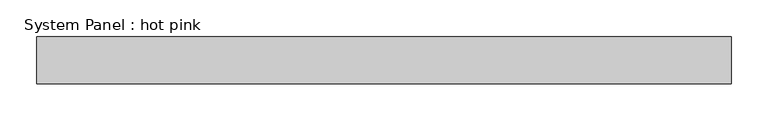
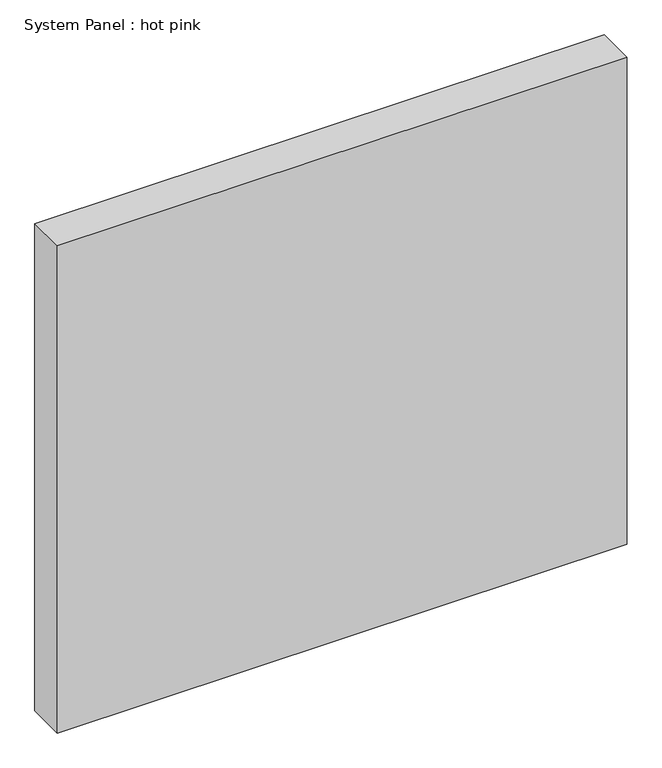
"""IFC4 building model written with IfcOpenShell, lengths in millimetres: plate geometry, System Panel : hot pink."""

import ifcopenshell
import ifcopenshell.guid

model = None  # the IFC model being written
_history = None  # IfcOwnerHistory: only IFC2X3 demands one
_inside = {}  # id of a spatial element -> (the spatial element, [elements in it])
_under = {}  # id of a project, library or spatial element -> (it, [spatial elements below it])
_declared = {}  # id of a project -> (the project, [libraries it declares])
_typed = {}  # id of a type object -> (the type object, [elements of that type])
_made_of = {}  # id of a material, layer set ... -> (it, [elements and type objects made of it])


def new_model(schema):
    """Start an empty IFC model of exactly this schema.

    Asked for "IFC4X3", IfcOpenShell would pick the latest addendum, in which some entities
    have other attributes; the version numbers below select the first issue.
    IFC2X3 requires an IfcOwnerHistory on every rooted entity: one is made here for all.
    """
    global model, _history
    if schema == "IFC4X3":
        model = ifcopenshell.file(schema_version=(4, 3, 0, 0))
    else:
        model = ifcopenshell.file(schema=schema)
    _inside.clear()
    _under.clear()
    _declared.clear()
    _typed.clear()
    _made_of.clear()
    _history = None
    if model.schema == "IFC2X3":
        org = make("IfcOrganization", Name="unknown")
        user = make(
            "IfcPersonAndOrganization",
            ThePerson=make("IfcPerson", FamilyName="unknown"),
            TheOrganization=org,
        )
        app = make(
            "IfcApplication",
            ApplicationDeveloper=org,
            Version="unknown",
            ApplicationFullName="unknown",
            ApplicationIdentifier="unknown",
        )
        _history = make(
            "IfcOwnerHistory",
            OwningUser=user,
            OwningApplication=app,
            ChangeAction="ADDED",
            CreationDate=0,
        )
    return model


def make(cls, **values):
    """One entity of the class cls with the attributes given. An attribute that is None is left unset."""
    return model.create_entity(
        cls, **{name: value for name, value in values.items() if value is not None}
    )


def rooted(cls, **values):
    """An entity with a GlobalId (a new one), such as an element, a storey or a relation."""
    return make(cls, GlobalId=ifcopenshell.guid.new(), OwnerHistory=_history, **values)


def si_unit(unit_type, name, prefix=None):
    """IfcSIUnit, for example si_unit("LENGTHUNIT", "METRE", prefix="MILLI")."""
    return make("IfcSIUnit", UnitType=unit_type, Prefix=prefix, Name=name)


def assignment(units):
    """IfcUnitAssignment: the units of a project."""
    return None if units is None else make("IfcUnitAssignment", Units=units)


def point(xyz):
    """IfcCartesianPoint."""
    return None if xyz is None else make("IfcCartesianPoint", Coordinates=xyz)


def direction(xyz):
    """IfcDirection."""
    return None if xyz is None else make("IfcDirection", DirectionRatios=xyz)


def frame(location, z_axis=None, x_axis=None):
    """IfcAxis2Placement3D, a coordinate frame: its origin and axes. An axis left out is left unset."""
    return make(
        "IfcAxis2Placement3D",
        Location=point(location),
        Axis=direction(z_axis),
        RefDirection=direction(x_axis),
    )


def origin():
    """The frame at (0, 0, 0) with its axes left unset."""
    return frame((0.0, 0.0, 0.0))


def origin_with_axes():
    """The frame at (0, 0, 0) with the z axis (0, 0, 1) and the x axis (1, 0, 0) written out."""
    return frame((0.0, 0.0, 0.0), z_axis=(0.0, 0.0, 1.0), x_axis=(1.0, 0.0, 0.0))


def place(relative_to, where):
    """IfcLocalPlacement: puts the frame where relative to a parent placement (None: the world)."""
    return make(
        "IfcLocalPlacement", PlacementRelTo=relative_to, RelativePlacement=where
    )


def context(
    kind, dimensions, precision=None, world=None, true_north=None, identifier=None
):
    """IfcGeometricRepresentationContext, for example the 3D "Model" context."""
    return make(
        "IfcGeometricRepresentationContext",
        ContextIdentifier=identifier,
        ContextType=kind,
        CoordinateSpaceDimension=dimensions,
        Precision=precision,
        WorldCoordinateSystem=world,
        TrueNorth=true_north,
    )


def project(units=None, contexts=None):
    """IfcProject with its units and contexts."""
    return rooted(
        "IfcProject",
        Name="project",
        RepresentationContexts=contexts,
        UnitsInContext=assignment(units),
    )


def spatial(cls, under=None, at=None, **own):
    """A site, building, storey or space (cls), placed at a placement, below another one or the project."""
    s = rooted(cls, ObjectPlacement=at, **own)
    if under is not None:
        _under.setdefault(under.id(), (under, []))[1].append(s)
    return s


def polyline(points):
    """IfcPolyline through the points."""
    return make("IfcPolyline", Points=[point(p) for p in points])


def outline(outer, holes=None, kind="AREA"):
    """IfcArbitraryClosedProfileDef: a profile drawn as a closed curve; with holes, ...WithVoids."""
    if holes is None:
        return make("IfcArbitraryClosedProfileDef", ProfileType=kind, OuterCurve=outer)
    return make(
        "IfcArbitraryProfileDefWithVoids",
        ProfileType=kind,
        OuterCurve=outer,
        InnerCurves=holes,
    )


def extrude(swept, where, along, depth):
    """IfcExtrudedAreaSolid: the profile swept, set in the frame where, extruded along a direction by depth."""
    return make(
        "IfcExtrudedAreaSolid",
        SweptArea=swept,
        Position=where,
        ExtrudedDirection=direction(along),
        Depth=depth,
    )


def shape(context_of_items, identifier, shape_type, items):
    """IfcShapeRepresentation: the items that make up one representation, for example the "Body"."""
    return make(
        "IfcShapeRepresentation",
        ContextOfItems=context_of_items,
        RepresentationIdentifier=identifier,
        RepresentationType=shape_type,
        Items=items,
    )


def source(mapping_origin, context_of_items, identifier, shape_type, items):
    """IfcRepresentationMap: a shape defined once, which mapped items show again and again."""
    return make(
        "IfcRepresentationMap",
        MappingOrigin=mapping_origin,
        MappedRepresentation=shape(context_of_items, identifier, shape_type, items),
    )


def transform(
    local_origin,
    x_axis=None,
    y_axis=None,
    z_axis=None,
    scale=None,
    scale2=None,
    scale3=None,
    uniform=True,
):
    """IfcCartesianTransformationOperator3D, or its non-uniform kind. x_axis, y_axis, z_axis: its Axis1, 2, 3."""
    if uniform:
        return make(
            "IfcCartesianTransformationOperator3D",
            Axis1=direction(x_axis),
            Axis2=direction(y_axis),
            LocalOrigin=point(local_origin),
            Scale=scale,
            Axis3=direction(z_axis),
        )
    return make(
        "IfcCartesianTransformationOperator3DnonUniform",
        Axis1=direction(x_axis),
        Axis2=direction(y_axis),
        LocalOrigin=point(local_origin),
        Scale=scale,
        Axis3=direction(z_axis),
        Scale2=scale2,
        Scale3=scale3,
    )


def mapped(mapping_source, mapping_target):
    """IfcMappedItem: shows the shape of a source again, moved by a transform."""
    return make(
        "IfcMappedItem", MappingSource=mapping_source, MappingTarget=mapping_target
    )


def made_of(thing, what):
    """Note that an element or type object is made of a material, layer set ...; save() writes the relation."""
    if what is not None:
        _made_of.setdefault(what.id(), (what, []))[1].append(thing)
    return thing


def element(
    cls,
    number,
    at=None,
    inside=None,
    cuts=None,
    type_object=None,
    material=None,
    context=None,
    identifier="Body",
    shape_type=None,
    held_by="IfcProductDefinitionShape",
    body=None,
    shapes=None,
    **own,
):
    """One element of the class cls, such as IfcWall. Its Tag is "e" and its number.

    at: its placement. inside: the storey or other place that contains it. cuts: it is an
    opening in that element (IfcRelVoidsElement). A single representation is given by context,
    identifier, shape_type and body (its items); several are given by shapes. held_by: the class
    of the entity that holds the representations. save() writes the other relations.
    """
    e = rooted(cls, Tag="e%d" % number, ObjectPlacement=at, **own)
    if body is not None:
        shapes = [shape(context, identifier, shape_type, body)]
    if shapes is not None:
        e.Representation = make(held_by, Representations=shapes)
    if inside is not None:
        _inside.setdefault(inside.id(), (inside, []))[1].append(e)
    if cuts is not None:
        rooted(
            "IfcRelVoidsElement", RelatingBuildingElement=cuts, RelatedOpeningElement=e
        )
    if type_object is not None:
        _typed.setdefault(type_object.id(), (type_object, []))[1].append(e)
    return made_of(e, material)


def aggregate(whole, parts):
    """IfcRelAggregates: a whole, such as a stair, and the parts it consists of."""
    return rooted("IfcRelAggregates", RelatingObject=whole, RelatedObjects=parts)


def save(model, path):
    """Write the relations noted so far, then the file.

    IfcRelAggregates (storeys below a building ...), IfcRelContainedInSpatialStructure (elements
    in a storey), IfcRelDefinesByType, IfcRelAssociatesMaterial and IfcRelDeclares: one each for
    every whole, place, type object, material and project.
    """
    for whole, parts in _under.values():
        aggregate(whole, parts)
    for where, things in _inside.values():
        rooted(
            "IfcRelContainedInSpatialStructure",
            RelatedElements=things,
            RelatingStructure=where,
        )
    for kind, things in _typed.values():
        rooted("IfcRelDefinesByType", RelatedObjects=things, RelatingType=kind)
    for what, things in _made_of.values():
        rooted("IfcRelAssociatesMaterial", RelatedObjects=things, RelatingMaterial=what)
    for by, libraries in _declared.values():
        rooted("IfcRelDeclares", RelatingContext=by, RelatedDefinitions=libraries)
    model.write(path)


def system_panel_hot_pink_6c32beed(model_context):
    return source(origin(), model_context, "Body", "SweptSolid", [
        extrude(outline(polyline([(470.67292, -44.45), (-470.67292, -44.45), (-470.67292, 19.05), (470.67292, 19.05), (470.67292, -44.45)])), origin_with_axes(), (0.0, 0.0, 1.0), 850.9),
    ])


if __name__ == "__main__":
    model = new_model("IFC4")
    model_context = context("Model", 3, world=origin())
    ifc_project = project(units=[si_unit("LENGTHUNIT", "METRE", prefix="MILLI")], contexts=[model_context])
    site = spatial("IfcSite", under=ifc_project)
    building = spatial("IfcBuilding", under=site)
    placement = place(None, origin())
    system_panel_hot_pink_shape = system_panel_hot_pink_6c32beed(model_context)
    element("IfcPlate", 1, ObjectType="System Panel : hot pink", at=placement, inside=building, context=model_context, shape_type="MappedRepresentation", body=[
        mapped(system_panel_hot_pink_shape, transform((0.0, 0.0, 0.0), x_axis=(1.0, 0.0, 0.0), y_axis=(0.0, 1.0, 0.0), z_axis=(0.0, 0.0, 1.0))),
    ])
    save(model, "model.ifc")
